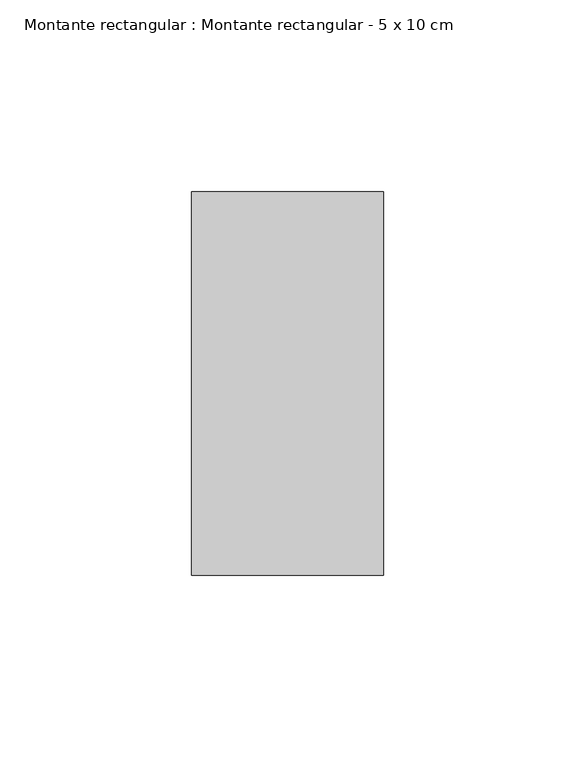
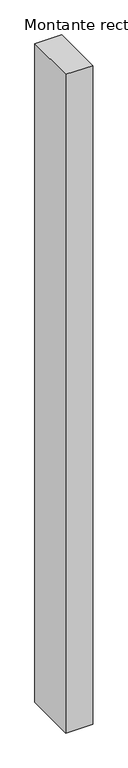
"""IFC4 building model written with IfcOpenShell, lengths in millimetres: member geometry, Montante rectangular : Montante rectangular - 5 x 10 cm."""

from ifc_helpers import new_model, si_unit, frame, origin, place, context, project, spatial, polyline, outline, extrude, source, transform, mapped, element, save


def montante_rectangular_montante_rectangular_5_x_10_cm_f93c7abd(model_context):
    return source(origin(), model_context, "Body", "SweptSolid", [
        extrude(outline(polyline([(0.0, 50.0), (0.0, -50.0), (-50.0, -50.0), (-50.0, 50.0), (0.0, 50.0)])), frame((0.0, 0.0, -1300.0), z_axis=(0.0, 0.0, 1.0), x_axis=(1.0, 0.0, 0.0)), (0.0, 0.0, 1.0), 1300.0),
    ])


if __name__ == "__main__":
    model = new_model("IFC4")
    model_context = context("Model", 3, world=origin())
    ifc_project = project(units=[si_unit("LENGTHUNIT", "METRE", prefix="MILLI")], contexts=[model_context])
    site = spatial("IfcSite", under=ifc_project)
    building = spatial("IfcBuilding", under=site)
    placement = place(None, origin())
    montante_rectangular_montante_rectangular_5_x_10_cm_shape = montante_rectangular_montante_rectangular_5_x_10_cm_f93c7abd(model_context)
    element("IfcMember", 1, ObjectType="Montante rectangular : Montante rectangular - 5 x 10 cm", at=placement, inside=building, context=model_context, shape_type="MappedRepresentation", body=[
        mapped(montante_rectangular_montante_rectangular_5_x_10_cm_shape, transform((0.0, 0.0, 0.0), x_axis=(1.0, 0.0, 0.0), y_axis=(0.0, 1.0, 0.0), z_axis=(0.0, 0.0, 1.0))),
    ])
    save(model, "model.ifc")
